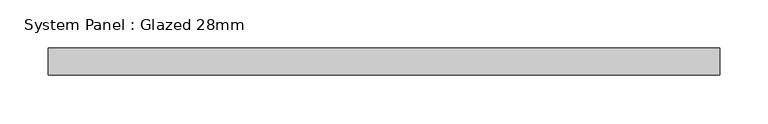
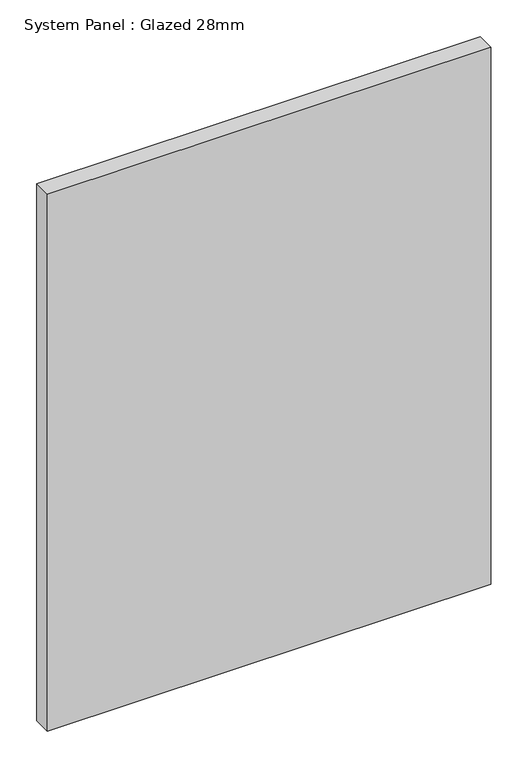
"""IFC4 building model written with IfcOpenShell, lengths in millimetres: plate geometry, System Panel : Glazed 28mm."""

from ifc_helpers import new_model, si_unit, origin, origin_with_axes, place, context, project, spatial, polyline, outline, extrude, source, transform, mapped, element, save


def system_panel_glazed_28mm_909098e8(model_context):
    return source(origin(), model_context, "Body", "SweptSolid", [
        extrude(outline(polyline([(346.7808019, -14.0), (-346.7808019, -14.0), (-346.7808019, 14.0), (346.7808019, 14.0), (346.7808019, -14.0)])), origin_with_axes(), (0.0, 0.0, 1.0), 887.6851443),
    ])


if __name__ == "__main__":
    model = new_model("IFC4")
    model_context = context("Model", 3, world=origin())
    ifc_project = project(units=[si_unit("LENGTHUNIT", "METRE", prefix="MILLI")], contexts=[model_context])
    site = spatial("IfcSite", under=ifc_project)
    building = spatial("IfcBuilding", under=site)
    placement = place(None, origin())
    system_panel_glazed_28mm_shape = system_panel_glazed_28mm_909098e8(model_context)
    element("IfcPlate", 1, ObjectType="System Panel : Glazed 28mm", at=placement, inside=building, context=model_context, shape_type="MappedRepresentation", body=[
        mapped(system_panel_glazed_28mm_shape, transform((0.0, 0.0, 0.0), x_axis=(1.0, 0.0, 0.0), y_axis=(0.0, 1.0, 0.0), z_axis=(0.0, 0.0, 1.0))),
    ])
    save(model, "model.ifc")
